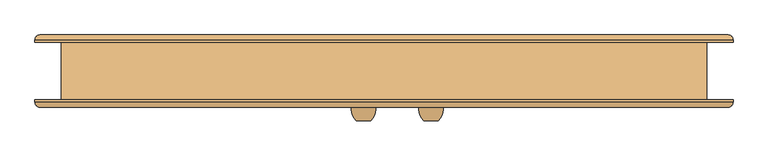
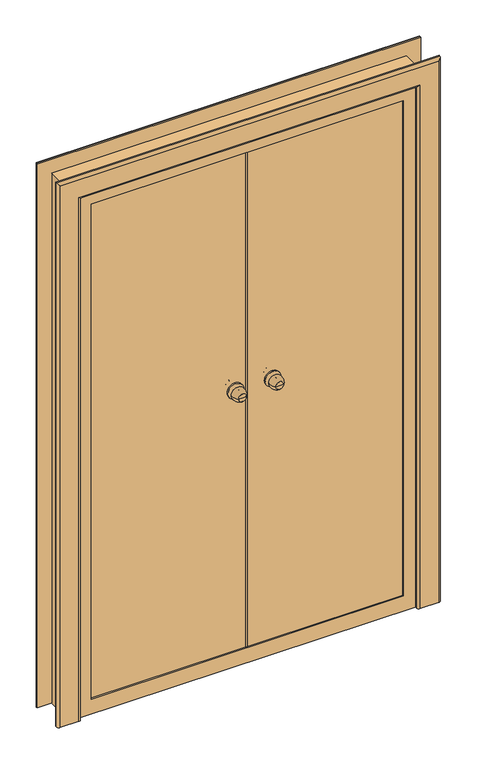
"""IFC4 building model written with IfcOpenShell, lengths in millimetres: door geometry."""

from ifc_helpers import new_model, si_unit, point, frame, origin, place, context, project, spatial, polyline, circle_curve, ellipse_curve, trimmed, outline, extrude, faceted_brep, source, transform, mapped, element, save
from ifc_brep_helpers import plane_surface, cylinder_surface, revolved_surface, advanced_brep


def door_aa6076b7(model_context):
    return source(origin(), model_context, "Body", "SolidModel", [
        advanced_brep(
        [(-173.0, -103.0, 1100.0), (-203.0, -103.0, 1100.0), (-188.0, -103.0, 1100.0), (-163.0, -73.0, 1100.0), (-213.0, -73.0, 1100.0), (-170.0, -73.0, 1100.0), (-206.0, -73.0, 1100.0), (-178.0, -65.0, 1100.0), (-198.0, -65.0, 1100.0), (-178.0, -59.0, 1100.0), (-198.0, -59.0, 1100.0), (-218.0, -59.0, 1100.0), (-158.0, -59.0, 1100.0), (-218.0, -53.0, 1100.0), (-158.0, -53.0, 1100.0)],
        [
            (0, 1, circle_curve(frame((-188.0, -103.0, 1100.0), z_axis=(0.0, -1.0, 0.0), x_axis=(-1.0, 0.0, 0.0)), 15.0)),
            (1, 2),
            (2, 0),
            (1, 0, circle_curve(frame((-188.0, -103.0, 1100.0), z_axis=(0.0, -1.0, 0.0), x_axis=(-1.0, 0.0, 0.0)), 15.0)),
            (0, 3, circle_curve(frame((-197.6226265, -78.1257912, 1100.0), z_axis=(0.0, 0.0, 1.0), x_axis=(-1.0, 0.0, 0.0)), 35.0)),
            (3, 4, circle_curve(frame((-188.0, -73.0, 1100.0), z_axis=(0.0, -1.0, 0.0), x_axis=(-1.0, 0.0, 0.0)), 25.0)),
            (4, 1, circle_curve(frame((-178.3773735, -78.1257912, 1100.0), z_axis=(0.0, 0.0, 1.0), x_axis=(1.0, 0.0, 0.0)), 35.0)),
            (4, 3, circle_curve(frame((-188.0, -73.0, 1100.0), z_axis=(0.0, -1.0, 0.0), x_axis=(-1.0, 0.0, 0.0)), 25.0)),
            (3, 5),
            (5, 6, circle_curve(frame((-188.0, -73.0, 1100.0), z_axis=(0.0, -1.0, 0.0), x_axis=(-1.0, 0.0, 0.0)), 18.0)),
            (6, 4),
            (6, 5, circle_curve(frame((-188.0, -73.0, 1100.0), z_axis=(0.0, -1.0, 0.0), x_axis=(-1.0, 0.0, 0.0)), 18.0)),
            (5, 7, circle_curve(frame((-170.0, -65.0, 1100.0), z_axis=(0.0, 0.0, -1.0), x_axis=(-1.0, 0.0, 0.0)), 8.0)),
            (7, 8, circle_curve(frame((-188.0, -65.0, 1100.0), z_axis=(0.0, -1.0, 0.0), x_axis=(-1.0, 0.0, 0.0)), 10.0)),
            (8, 6, circle_curve(frame((-206.0, -65.0, 1100.0), z_axis=(0.0, 0.0, -1.0), x_axis=(1.0, 0.0, 0.0)), 8.0)),
            (8, 7, circle_curve(frame((-188.0, -65.0, 1100.0), z_axis=(0.0, -1.0, 0.0), x_axis=(-1.0, 0.0, 0.0)), 10.0)),
            (7, 9),
            (9, 10, circle_curve(frame((-188.0, -59.0, 1100.0), z_axis=(0.0, -1.0, 0.0), x_axis=(-1.0, 0.0, 0.0)), 10.0)),
            (10, 8),
            (10, 9, circle_curve(frame((-188.0, -59.0, 1100.0), z_axis=(0.0, -1.0, 0.0), x_axis=(-1.0, 0.0, 0.0)), 10.0)),
            (11, 12, circle_curve(frame((-188.0, -59.0, 1100.0), z_axis=(0.0, -1.0, 0.0), x_axis=(1.0, 0.0, 0.0)), 30.0)),
            (12, 11, circle_curve(frame((-188.0, -59.0, 1100.0), z_axis=(0.0, -1.0, 0.0), x_axis=(1.0, 0.0, 0.0)), 30.0)),
            (13, 14, circle_curve(frame((-188.0, -53.0, 1100.0), z_axis=(0.0, 1.0, 0.0), x_axis=(1.0, 0.0, 0.0)), 30.0)),
            (14, 13, circle_curve(frame((-188.0, -53.0, 1100.0), z_axis=(0.0, 1.0, 0.0), x_axis=(1.0, 0.0, 0.0)), 30.0)),
            (11, 13),
            (14, 12),
        ],
        [
            plane_surface(frame((-188.0, -103.0, 1100.0), z_axis=(0.0, -1.0, 0.0), x_axis=(-1.0, 0.0, 0.0))),
            revolved_surface(trimmed(ellipse_curve(frame((-178.3773735, -78.1257912, 1100.0), z_axis=(0.0, 0.0, -1.0), x_axis=(1.0, 0.0, 0.0)), 35.0, 35.0), [point((-203.0, -103.0, 1100.0))], [point((-213.0, -73.0, 1100.0))], True, "CARTESIAN"), (-188.0, -133.0, 1100.0), (0.0, 1.0, 0.0)),
            plane_surface(frame((-188.0, -73.0, 1100.0), z_axis=(0.0, 1.0, 0.0), x_axis=(-1.0, 0.0, 0.0))),
            revolved_surface(trimmed(ellipse_curve(frame((-206.0, -65.0, 1100.0), z_axis=(0.0, 0.0, 1.0), x_axis=(1.0, 0.0, 0.0)), 8.0, 8.0), [point((-206.0, -73.0, 1100.0))], [point((-198.0, -65.0, 1100.0))], True, "CARTESIAN"), (-188.0, -133.0, 1100.0), (0.0, 1.0, 0.0)),
            cylinder_surface(frame((-188.0, -133.0, 1100.0), z_axis=(0.0, 1.0, 0.0), x_axis=(-1.0, 0.0, 0.0)), 10.0),
            plane_surface(frame((-158.0, -59.0, 1100.0), z_axis=(0.0, -1.0, 0.0), x_axis=(0.0, 0.0, 1.0))),
            plane_surface(frame((-158.0, -53.0, 1100.0), z_axis=(0.0, 1.0, 0.0), x_axis=(0.0, 0.0, -1.0))),
            cylinder_surface(frame((-188.0, -53.0, 1100.0), z_axis=(0.0, -1.0, 0.0), x_axis=(1.0, 0.0, 0.0)), 30.0),
        ],
        [
            (0, [[1, 2, 3]]),
            (0, [[-2, 4, -3]]),
            (1, [[-1, 5, 6, 7]]),
            (1, [[-4, -7, 8, -5]]),
            (2, [[-6, 9, 10, 11]]),
            (2, [[-8, -11, 12, -9]]),
            (3, [[-10, 13, 14, 15]]),
            (3, [[-12, -15, 16, -13]]),
            (4, [[-14, 17, 18, 19]]),
            (4, [[-16, -19, 20, -17]]),
            (5, [[21, 22], [-18, -20]]),
            (6, [[23, 24]]),
            (7, [[-21, 25, -24, 26]]),
            (7, [[-22, -26, -23, -25]]),
        ],
    ),
        advanced_brep(
        [(-203.0, 37.0, 1100.0), (-173.0, 37.0, 1100.0), (-188.0, 37.0, 1100.0), (-213.0, 7.0, 1100.0), (-163.0, 7.0, 1100.0), (-206.0, 7.0, 1100.0), (-170.0, 7.0, 1100.0), (-198.0, -1.0, 1100.0), (-178.0, -1.0, 1100.0), (-198.0, -7.0, 1100.0), (-178.0, -7.0, 1100.0), (-158.0, -7.0, 1100.0), (-218.0, -7.0, 1100.0), (-158.0, -13.0, 1100.0), (-218.0, -13.0, 1100.0)],
        [
            (0, 1, circle_curve(frame((-188.0, 37.0, 1100.0), z_axis=(0.0, 1.0, 0.0), x_axis=(1.0, 0.0, 0.0)), 15.0)),
            (1, 2),
            (2, 0),
            (1, 0, circle_curve(frame((-188.0, 37.0, 1100.0), z_axis=(0.0, 1.0, 0.0), x_axis=(1.0, 0.0, 0.0)), 15.0)),
            (0, 3, circle_curve(frame((-178.3773735, 12.1257912, 1100.0), z_axis=(0.0, 0.0, 1.0), x_axis=(1.0, 0.0, 0.0)), 35.0)),
            (3, 4, circle_curve(frame((-188.0, 7.0, 1100.0), z_axis=(0.0, 1.0, 0.0), x_axis=(1.0, 0.0, 0.0)), 25.0)),
            (4, 1, circle_curve(frame((-197.6226265, 12.1257912, 1100.0), z_axis=(0.0, 0.0, 1.0), x_axis=(-1.0, 0.0, 0.0)), 35.0)),
            (4, 3, circle_curve(frame((-188.0, 7.0, 1100.0), z_axis=(0.0, 1.0, 0.0), x_axis=(1.0, 0.0, 0.0)), 25.0)),
            (3, 5),
            (5, 6, circle_curve(frame((-188.0, 7.0, 1100.0), z_axis=(0.0, 1.0, 0.0), x_axis=(1.0, 0.0, 0.0)), 18.0)),
            (6, 4),
            (6, 5, circle_curve(frame((-188.0, 7.0, 1100.0), z_axis=(0.0, 1.0, 0.0), x_axis=(1.0, 0.0, 0.0)), 18.0)),
            (5, 7, circle_curve(frame((-206.0, -1.0, 1100.0), z_axis=(0.0, 0.0, -1.0), x_axis=(1.0, 0.0, 0.0)), 8.0)),
            (7, 8, circle_curve(frame((-188.0, -1.0, 1100.0), z_axis=(0.0, 1.0, 0.0), x_axis=(1.0, 0.0, 0.0)), 10.0)),
            (8, 6, circle_curve(frame((-170.0, -1.0, 1100.0), z_axis=(0.0, 0.0, -1.0), x_axis=(-1.0, 0.0, 0.0)), 8.0)),
            (8, 7, circle_curve(frame((-188.0, -1.0, 1100.0), z_axis=(0.0, 1.0, 0.0), x_axis=(1.0, 0.0, 0.0)), 10.0)),
            (7, 9),
            (9, 10, circle_curve(frame((-188.0, -7.0, 1100.0), z_axis=(0.0, 1.0, 0.0), x_axis=(1.0, 0.0, 0.0)), 10.0)),
            (10, 8),
            (10, 9, circle_curve(frame((-188.0, -7.0, 1100.0), z_axis=(0.0, 1.0, 0.0), x_axis=(1.0, 0.0, 0.0)), 10.0)),
            (11, 12, circle_curve(frame((-188.0, -7.0, 1100.0), z_axis=(0.0, 1.0, 0.0), x_axis=(-1.0, 0.0, 0.0)), 30.0)),
            (12, 11, circle_curve(frame((-188.0, -7.0, 1100.0), z_axis=(0.0, 1.0, 0.0), x_axis=(-1.0, 0.0, 0.0)), 30.0)),
            (13, 14, circle_curve(frame((-188.0, -13.0, 1100.0), z_axis=(0.0, -1.0, 0.0), x_axis=(-1.0, 0.0, 0.0)), 30.0)),
            (14, 13, circle_curve(frame((-188.0, -13.0, 1100.0), z_axis=(0.0, -1.0, 0.0), x_axis=(-1.0, 0.0, 0.0)), 30.0)),
            (11, 13),
            (14, 12),
        ],
        [
            plane_surface(frame((-188.0, 37.0, 1100.0), z_axis=(0.0, 1.0, 0.0), x_axis=(1.0, 0.0, 0.0))),
            revolved_surface(trimmed(ellipse_curve(frame((-197.6226265, 12.1257912, 1100.0), z_axis=(0.0, 0.0, -1.0), x_axis=(-1.0, 0.0, 0.0)), 35.0, 35.0), [point((-173.0, 37.0, 1100.0))], [point((-163.0, 7.0, 1100.0))], True, "CARTESIAN"), (-188.0, 67.0, 1100.0), (0.0, -1.0, 0.0)),
            plane_surface(frame((-188.0, 7.0, 1100.0), z_axis=(0.0, -1.0, 0.0), x_axis=(1.0, 0.0, 0.0))),
            revolved_surface(trimmed(ellipse_curve(frame((-170.0, -1.0, 1100.0), z_axis=(0.0, 0.0, 1.0), x_axis=(-1.0, 0.0, 0.0)), 8.0, 8.0), [point((-170.0, 7.0, 1100.0))], [point((-178.0, -1.0, 1100.0))], True, "CARTESIAN"), (-188.0, 67.0, 1100.0), (0.0, -1.0, 0.0)),
            cylinder_surface(frame((-188.0, 67.0, 1100.0), z_axis=(0.0, -1.0, 0.0), x_axis=(1.0, 0.0, 0.0)), 10.0),
            plane_surface(frame((-218.0, -7.0, 1100.0), z_axis=(0.0, 1.0, 0.0), x_axis=(0.0, 0.0, 1.0))),
            plane_surface(frame((-218.0, -13.0, 1100.0), z_axis=(0.0, -1.0, 0.0), x_axis=(0.0, 0.0, -1.0))),
            cylinder_surface(frame((-188.0, -13.0, 1100.0), z_axis=(0.0, 1.0, 0.0), x_axis=(-1.0, 0.0, 0.0)), 30.0),
        ],
        [
            (0, [[1, 2, 3]]),
            (0, [[-2, 4, -3]]),
            (1, [[-1, 5, 6, 7]]),
            (1, [[-4, -7, 8, -5]]),
            (2, [[-6, 9, 10, 11]]),
            (2, [[-8, -11, 12, -9]]),
            (3, [[-10, 13, 14, 15]]),
            (3, [[-12, -15, 16, -13]]),
            (4, [[-14, 17, 18, 19]]),
            (4, [[-16, -19, 20, -17]]),
            (5, [[21, 22], [-18, -20]]),
            (6, [[23, 24]]),
            (7, [[-21, 25, -24, 26]]),
            (7, [[-22, -26, -23, -25]]),
        ],
    ),
        advanced_brep(
        [(-32.0, -103.0, 1100.0), (-62.0, -103.0, 1100.0), (-47.0, -103.0, 1100.0), (-22.0, -73.0, 1100.0), (-72.0, -73.0, 1100.0), (-29.0, -73.0, 1100.0), (-65.0, -73.0, 1100.0), (-37.0, -65.0, 1100.0), (-57.0, -65.0, 1100.0), (-37.0, -59.0, 1100.0), (-57.0, -59.0, 1100.0), (-77.0, -59.0, 1100.0), (-17.0, -59.0, 1100.0), (-77.0, -53.0, 1100.0), (-17.0, -53.0, 1100.0)],
        [
            (0, 1, circle_curve(frame((-47.0, -103.0, 1100.0), z_axis=(0.0, -1.0, 0.0), x_axis=(-1.0, 0.0, 0.0)), 15.0)),
            (1, 2),
            (2, 0),
            (1, 0, circle_curve(frame((-47.0, -103.0, 1100.0), z_axis=(0.0, -1.0, 0.0), x_axis=(-1.0, 0.0, 0.0)), 15.0)),
            (0, 3, circle_curve(frame((-56.6226265, -78.1257912, 1100.0), z_axis=(0.0, 0.0, 1.0), x_axis=(-1.0, 0.0, 0.0)), 35.0)),
            (3, 4, circle_curve(frame((-47.0, -73.0, 1100.0), z_axis=(0.0, -1.0, 0.0), x_axis=(-1.0, 0.0, 0.0)), 25.0)),
            (4, 1, circle_curve(frame((-37.3773735, -78.1257912, 1100.0), z_axis=(0.0, 0.0, 1.0), x_axis=(1.0, 0.0, 0.0)), 35.0)),
            (4, 3, circle_curve(frame((-47.0, -73.0, 1100.0), z_axis=(0.0, -1.0, 0.0), x_axis=(-1.0, 0.0, 0.0)), 25.0)),
            (3, 5),
            (5, 6, circle_curve(frame((-47.0, -73.0, 1100.0), z_axis=(0.0, -1.0, 0.0), x_axis=(-1.0, 0.0, 0.0)), 18.0)),
            (6, 4),
            (6, 5, circle_curve(frame((-47.0, -73.0, 1100.0), z_axis=(0.0, -1.0, 0.0), x_axis=(-1.0, 0.0, 0.0)), 18.0)),
            (5, 7, circle_curve(frame((-29.0, -65.0, 1100.0), z_axis=(0.0, 0.0, -1.0), x_axis=(-1.0, 0.0, 0.0)), 8.0)),
            (7, 8, circle_curve(frame((-47.0, -65.0, 1100.0), z_axis=(0.0, -1.0, 0.0), x_axis=(-1.0, 0.0, 0.0)), 10.0)),
            (8, 6, circle_curve(frame((-65.0, -65.0, 1100.0), z_axis=(0.0, 0.0, -1.0), x_axis=(1.0, 0.0, 0.0)), 8.0)),
            (8, 7, circle_curve(frame((-47.0, -65.0, 1100.0), z_axis=(0.0, -1.0, 0.0), x_axis=(-1.0, 0.0, 0.0)), 10.0)),
            (7, 9),
            (9, 10, circle_curve(frame((-47.0, -59.0, 1100.0), z_axis=(0.0, -1.0, 0.0), x_axis=(-1.0, 0.0, 0.0)), 10.0)),
            (10, 8),
            (10, 9, circle_curve(frame((-47.0, -59.0, 1100.0), z_axis=(0.0, -1.0, 0.0), x_axis=(-1.0, 0.0, 0.0)), 10.0)),
            (11, 12, circle_curve(frame((-47.0, -59.0, 1100.0), z_axis=(0.0, -1.0, 0.0), x_axis=(1.0, 0.0, 0.0)), 30.0)),
            (12, 11, circle_curve(frame((-47.0, -59.0, 1100.0), z_axis=(0.0, -1.0, 0.0), x_axis=(1.0, 0.0, 0.0)), 30.0)),
            (13, 14, circle_curve(frame((-47.0, -53.0, 1100.0), z_axis=(0.0, 1.0, 0.0), x_axis=(1.0, 0.0, 0.0)), 30.0)),
            (14, 13, circle_curve(frame((-47.0, -53.0, 1100.0), z_axis=(0.0, 1.0, 0.0), x_axis=(1.0, 0.0, 0.0)), 30.0)),
            (11, 13),
            (14, 12),
        ],
        [
            plane_surface(frame((-47.0, -103.0, 1100.0), z_axis=(0.0, -1.0, 0.0), x_axis=(-1.0, 0.0, 0.0))),
            revolved_surface(trimmed(ellipse_curve(frame((-37.3773735, -78.1257912, 1100.0), z_axis=(0.0, 0.0, -1.0), x_axis=(1.0, 0.0, 0.0)), 35.0, 35.0), [point((-62.0, -103.0, 1100.0))], [point((-72.0, -73.0, 1100.0))], True, "CARTESIAN"), (-47.0, -133.0, 1100.0), (0.0, 1.0, 0.0)),
            plane_surface(frame((-47.0, -73.0, 1100.0), z_axis=(0.0, 1.0, 0.0), x_axis=(-1.0, 0.0, 0.0))),
            revolved_surface(trimmed(ellipse_curve(frame((-65.0, -65.0, 1100.0), z_axis=(0.0, 0.0, 1.0), x_axis=(1.0, 0.0, 0.0)), 8.0, 8.0), [point((-65.0, -73.0, 1100.0))], [point((-57.0, -65.0, 1100.0))], True, "CARTESIAN"), (-47.0, -133.0, 1100.0), (0.0, 1.0, 0.0)),
            cylinder_surface(frame((-47.0, -133.0, 1100.0), z_axis=(0.0, 1.0, 0.0), x_axis=(-1.0, 0.0, 0.0)), 10.0),
            plane_surface(frame((-17.0, -59.0, 1100.0), z_axis=(0.0, -1.0, 0.0), x_axis=(0.0, 0.0, 1.0))),
            plane_surface(frame((-17.0, -53.0, 1100.0), z_axis=(0.0, 1.0, 0.0), x_axis=(0.0, 0.0, -1.0))),
            cylinder_surface(frame((-47.0, -53.0, 1100.0), z_axis=(0.0, -1.0, 0.0), x_axis=(1.0, 0.0, 0.0)), 30.0),
        ],
        [
            (0, [[1, 2, 3]]),
            (0, [[-2, 4, -3]]),
            (1, [[-1, 5, 6, 7]]),
            (1, [[-4, -7, 8, -5]]),
            (2, [[-6, 9, 10, 11]]),
            (2, [[-8, -11, 12, -9]]),
            (3, [[-10, 13, 14, 15]]),
            (3, [[-12, -15, 16, -13]]),
            (4, [[-14, 17, 18, 19]]),
            (4, [[-16, -19, 20, -17]]),
            (5, [[21, 22], [-18, -20]]),
            (6, [[23, 24]]),
            (7, [[-21, 25, -24, 26]]),
            (7, [[-22, -26, -23, -25]]),
        ],
    ),
        advanced_brep(
        [(-62.0, 37.0, 1100.0), (-32.0, 37.0, 1100.0), (-47.0, 37.0, 1100.0), (-72.0, 7.0, 1100.0), (-22.0, 7.0, 1100.0), (-65.0, 7.0, 1100.0), (-29.0, 7.0, 1100.0), (-57.0, -1.0, 1100.0), (-37.0, -1.0, 1100.0), (-57.0, -7.0, 1100.0), (-37.0, -7.0, 1100.0), (-17.0, -7.0, 1100.0), (-77.0, -7.0, 1100.0), (-17.0, -13.0, 1100.0), (-77.0, -13.0, 1100.0)],
        [
            (0, 1, circle_curve(frame((-47.0, 37.0, 1100.0), z_axis=(0.0, 1.0, 0.0), x_axis=(1.0, 0.0, 0.0)), 15.0)),
            (1, 2),
            (2, 0),
            (1, 0, circle_curve(frame((-47.0, 37.0, 1100.0), z_axis=(0.0, 1.0, 0.0), x_axis=(1.0, 0.0, 0.0)), 15.0)),
            (0, 3, circle_curve(frame((-37.3773735, 12.1257912, 1100.0), z_axis=(0.0, 0.0, 1.0), x_axis=(1.0, 0.0, 0.0)), 35.0)),
            (3, 4, circle_curve(frame((-47.0, 7.0, 1100.0), z_axis=(0.0, 1.0, 0.0), x_axis=(1.0, 0.0, 0.0)), 25.0)),
            (4, 1, circle_curve(frame((-56.6226265, 12.1257912, 1100.0), z_axis=(0.0, 0.0, 1.0), x_axis=(-1.0, 0.0, 0.0)), 35.0)),
            (4, 3, circle_curve(frame((-47.0, 7.0, 1100.0), z_axis=(0.0, 1.0, 0.0), x_axis=(1.0, 0.0, 0.0)), 25.0)),
            (3, 5),
            (5, 6, circle_curve(frame((-47.0, 7.0, 1100.0), z_axis=(0.0, 1.0, 0.0), x_axis=(1.0, 0.0, 0.0)), 18.0)),
            (6, 4),
            (6, 5, circle_curve(frame((-47.0, 7.0, 1100.0), z_axis=(0.0, 1.0, 0.0), x_axis=(1.0, 0.0, 0.0)), 18.0)),
            (5, 7, circle_curve(frame((-65.0, -1.0, 1100.0), z_axis=(0.0, 0.0, -1.0), x_axis=(1.0, 0.0, 0.0)), 8.0)),
            (7, 8, circle_curve(frame((-47.0, -1.0, 1100.0), z_axis=(0.0, 1.0, 0.0), x_axis=(1.0, 0.0, 0.0)), 10.0)),
            (8, 6, circle_curve(frame((-29.0, -1.0, 1100.0), z_axis=(0.0, 0.0, -1.0), x_axis=(-1.0, 0.0, 0.0)), 8.0)),
            (8, 7, circle_curve(frame((-47.0, -1.0, 1100.0), z_axis=(0.0, 1.0, 0.0), x_axis=(1.0, 0.0, 0.0)), 10.0)),
            (7, 9),
            (9, 10, circle_curve(frame((-47.0, -7.0, 1100.0), z_axis=(0.0, 1.0, 0.0), x_axis=(1.0, 0.0, 0.0)), 10.0)),
            (10, 8),
            (10, 9, circle_curve(frame((-47.0, -7.0, 1100.0), z_axis=(0.0, 1.0, 0.0), x_axis=(1.0, 0.0, 0.0)), 10.0)),
            (11, 12, circle_curve(frame((-47.0, -7.0, 1100.0), z_axis=(0.0, 1.0, 0.0), x_axis=(-1.0, 0.0, 0.0)), 30.0)),
            (12, 11, circle_curve(frame((-47.0, -7.0, 1100.0), z_axis=(0.0, 1.0, 0.0), x_axis=(-1.0, 0.0, 0.0)), 30.0)),
            (13, 14, circle_curve(frame((-47.0, -13.0, 1100.0), z_axis=(0.0, -1.0, 0.0), x_axis=(-1.0, 0.0, 0.0)), 30.0)),
            (14, 13, circle_curve(frame((-47.0, -13.0, 1100.0), z_axis=(0.0, -1.0, 0.0), x_axis=(-1.0, 0.0, 0.0)), 30.0)),
            (11, 13),
            (14, 12),
        ],
        [
            plane_surface(frame((-47.0, 37.0, 1100.0), z_axis=(0.0, 1.0, 0.0), x_axis=(1.0, 0.0, 0.0))),
            revolved_surface(trimmed(ellipse_curve(frame((-56.6226265, 12.1257912, 1100.0), z_axis=(0.0, 0.0, -1.0), x_axis=(-1.0, 0.0, 0.0)), 35.0, 35.0), [point((-32.0, 37.0, 1100.0))], [point((-22.0, 7.0, 1100.0))], True, "CARTESIAN"), (-47.0, 67.0, 1100.0), (0.0, -1.0, 0.0)),
            plane_surface(frame((-47.0, 7.0, 1100.0), z_axis=(0.0, -1.0, 0.0), x_axis=(1.0, 0.0, 0.0))),
            revolved_surface(trimmed(ellipse_curve(frame((-29.0, -1.0, 1100.0), z_axis=(0.0, 0.0, 1.0), x_axis=(-1.0, 0.0, 0.0)), 8.0, 8.0), [point((-29.0, 7.0, 1100.0))], [point((-37.0, -1.0, 1100.0))], True, "CARTESIAN"), (-47.0, 67.0, 1100.0), (0.0, -1.0, 0.0)),
            cylinder_surface(frame((-47.0, 67.0, 1100.0), z_axis=(0.0, -1.0, 0.0), x_axis=(1.0, 0.0, 0.0)), 10.0),
            plane_surface(frame((-77.0, -7.0, 1100.0), z_axis=(0.0, 1.0, 0.0), x_axis=(0.0, 0.0, 1.0))),
            plane_surface(frame((-77.0, -13.0, 1100.0), z_axis=(0.0, -1.0, 0.0), x_axis=(0.0, 0.0, -1.0))),
            cylinder_surface(frame((-47.0, -13.0, 1100.0), z_axis=(0.0, 1.0, 0.0), x_axis=(-1.0, 0.0, 0.0)), 30.0),
        ],
        [
            (0, [[1, 2, 3]]),
            (0, [[-2, 4, -3]]),
            (1, [[-1, 5, 6, 7]]),
            (1, [[-4, -7, 8, -5]]),
            (2, [[-6, 9, 10, 11]]),
            (2, [[-8, -11, 12, -9]]),
            (3, [[-10, 13, 14, 15]]),
            (3, [[-12, -15, 16, -13]]),
            (4, [[-14, 17, 18, 19]]),
            (4, [[-16, -19, 20, -17]]),
            (5, [[21, 22], [-18, -20]]),
            (6, [[23, 24]]),
            (7, [[-21, 25, -24, 26]]),
            (7, [[-22, -26, -23, -25]]),
        ],
    ),
        faceted_brep([(505.0, -20.0, 0.0), (505.0, -60.0, 0.0), (-795.0, -60.0, 0.0), (-795.0, -20.0, 0.0), (505.0, -60.0, 2100.0), (505.0, -20.0, 2100.0), (-795.0, -60.0, 2100.0), (445.0, -60.0, 2040.0), (445.0, -60.0, 60.0), (-735.0, -60.0, 60.0), (-735.0, -60.0, 2040.0), (-795.0, -20.0, 2100.0), (-755.0, -20.0, 2060.0), (-755.0, -20.0, 40.0), (465.0, -20.0, 40.0), (465.0, -20.0, 2060.0), (-755.0, -55.0, 2060.0), (465.0, -55.0, 2060.0), (465.0, -55.0, 40.0), (-755.0, -55.0, 40.0), (445.0, -55.0, 2040.0), (-735.0, -55.0, 2040.0), (-735.0, -55.0, 60.0), (445.0, -55.0, 60.0)], [[[0, 1, 2, 3]], [[4, 1, 0, 5]], [[2, 1, 4, 6], [7, 8, 9, 10]], [[2, 6, 11, 3]], [[0, 3, 11, 5], [12, 13, 14, 15]], [[16, 17, 18, 19], [20, 21, 22, 23]], [[7, 20, 23, 8]], [[23, 22, 9, 8]], [[21, 10, 9, 22]], [[18, 17, 15, 14]], [[19, 18, 14, 13]], [[12, 16, 19, 13]], [[20, 7, 10, 21]], [[17, 16, 12, 15]], [[5, 11, 6, 4]]]),
        faceted_brep([(-113.0, -18.0, 25.0), (-770.0, -18.0, 25.0), (-770.0, -13.0, 25.0), (-113.0, -13.0, 25.0), (-113.0, -18.0, 45.0), (-750.0, -18.0, 45.0), (-750.0, -18.0, 2055.0), (-113.0, -18.0, 2055.0), (-113.0, -18.0, 2075.0), (-770.0, -18.0, 2075.0), (-770.0, -13.0, 2075.0), (-113.0, -13.0, 2075.0), (-113.0, -28.0, 2055.0), (-113.0, -28.0, 45.0), (-750.0, -53.0, 2055.0), (-750.0, -53.0, 45.0), (-148.0, -28.0, 45.0), (-148.0, -53.0, 45.0), (-148.0, -53.0, 2055.0), (-148.0, -28.0, 2055.0)], [[[0, 1, 2, 3]], [[0, 4, 5, 6, 7, 8, 9, 1]], [[9, 10, 2, 1]], [[10, 11, 3, 2]], [[3, 11, 8, 7, 12, 13, 4, 0]], [[14, 6, 5, 15]], [[5, 4, 13, 16, 17, 15]], [[18, 14, 15, 17]], [[19, 18, 17, 16]], [[12, 19, 16, 13]], [[11, 10, 9, 8]], [[7, 6, 14, 18, 19, 12]]]),
        advanced_brep(
        [(580.0, 60.0, 0.0), (490.0, 60.0, 0.0), (490.0, 65.0, 0.0), (500.0, 75.0, 0.0), (570.0, 75.0, 0.0), (580.0, 65.0, 0.0), (580.0, 60.0, 2175.0), (-870.0, 60.0, 2175.0), (-870.0, 60.0, 0.0), (-780.0, 60.0, 0.0), (-780.0, 60.0, 2085.0), (490.0, 60.0, 2085.0), (490.0, 65.0, 2085.0), (500.0, 75.0, 2095.0), (-790.0, 75.0, 2095.0), (-790.0, 75.0, 0.0), (-860.0, 75.0, 0.0), (-860.0, 75.0, 2165.0), (570.0, 75.0, 2165.0), (580.0, 65.0, 2175.0), (-870.0, 65.0, 2175.0), (-870.0, 65.0, 0.0), (-780.0, 65.0, 0.0), (-780.0, 65.0, 2085.0)],
        [
            (0, 1),
            (1, 2),
            (2, 3, circle_curve(frame((500.0, 65.0, 0.0), z_axis=(0.0, 0.0, -1.0), x_axis=(1.0, 0.0, 0.0)), 10.0)),
            (3, 4),
            (4, 5, circle_curve(frame((570.0, 65.0, 0.0), z_axis=(0.0, 0.0, -1.0), x_axis=(1.0, 0.0, 0.0)), 10.0)),
            (5, 0),
            (0, 6),
            (6, 7),
            (7, 8),
            (8, 9),
            (9, 10),
            (10, 11),
            (11, 1),
            (11, 12),
            (12, 2),
            (12, 13, ellipse_curve(frame((500.0, 65.0, 2095.0), z_axis=(0.7071067811865475, 0.0, -0.7071067811865475), x_axis=(-0.7071067811865474, 0.0, -0.7071067811865476)), 14.1421356, 10.0)),
            (13, 3),
            (13, 14),
            (14, 15),
            (15, 16),
            (16, 17),
            (17, 18),
            (18, 4),
            (18, 19, ellipse_curve(frame((570.0, 65.0, 2165.0), z_axis=(0.7071067811865475, 0.0, -0.7071067811865475), x_axis=(-0.7071067811865474, 0.0, -0.7071067811865476)), 14.1421356, 10.0)),
            (19, 5),
            (19, 6),
            (7, 20),
            (20, 21),
            (21, 8),
            (21, 16, circle_curve(frame((-860.0, 65.0, 0.0), z_axis=(0.0, 0.0, -1.0), x_axis=(-1.0, 0.0, 0.0)), 10.0)),
            (15, 22, circle_curve(frame((-790.0, 65.0, 0.0), z_axis=(0.0, 0.0, -1.0), x_axis=(-1.0, 0.0, 0.0)), 10.0)),
            (22, 9),
            (23, 10),
            (22, 23),
            (14, 23, ellipse_curve(frame((-790.0, 65.0, 2095.0), z_axis=(-0.7071067811865475, 0.0, -0.7071067811865475), x_axis=(-0.7071067811865474, 0.0, 0.7071067811865476)), 14.1421356, 10.0)),
            (20, 17, ellipse_curve(frame((-860.0, 65.0, 2165.0), z_axis=(-0.7071067811865475, 0.0, -0.7071067811865475), x_axis=(-0.7071067811865474, 0.0, 0.7071067811865476)), 14.1421356, 10.0)),
            (23, 12),
            (20, 19),
        ],
        [
            plane_surface(frame((525.0, 60.0, 0.0), z_axis=(0.0, 0.0, -1.0), x_axis=(0.0, -1.0, 0.0))),
            plane_surface(frame((580.0, 60.0, 0.0), z_axis=(0.0, -1.0, 0.0), x_axis=(0.0, 0.0, 1.0))),
            plane_surface(frame((490.0, 60.0, 0.0), z_axis=(-1.0, 0.0, 0.0), x_axis=(0.0, 0.0, 1.0))),
            cylinder_surface(frame((500.0, 65.0, 0.0), z_axis=(0.0, 0.0, -1.0), x_axis=(1.0, 0.0, 0.0)), 10.0),
            plane_surface(frame((500.0, 75.0, 0.0), z_axis=(0.0, 1.0, 0.0), x_axis=(0.0, 0.0, 1.0))),
            cylinder_surface(frame((570.0, 65.0, 0.0), z_axis=(0.0, 0.0, -1.0), x_axis=(1.0, 0.0, 0.0)), 10.0),
            plane_surface(frame((580.0, 65.0, 0.0), z_axis=(1.0, 0.0, 0.0), x_axis=(0.0, 0.0, 1.0))),
            plane_surface(frame((-870.0, 65.0, 2175.0), z_axis=(-1.0, 0.0, 0.0), x_axis=(0.0, 0.0, -1.0))),
            plane_surface(frame((-815.0, 60.0, 0.0), z_axis=(0.0, 0.0, -1.0), x_axis=(0.0, -1.0, 0.0))),
            plane_surface(frame((-780.0, 60.0, 2085.0), z_axis=(1.0, 0.0, 0.0), x_axis=(0.0, 0.0, -1.0))),
            cylinder_surface(frame((-790.0, 65.0, 2120.0), z_axis=(0.0, 0.0, 1.0), x_axis=(-1.0, 0.0, 0.0)), 10.0),
            cylinder_surface(frame((-860.0, 65.0, 2120.0), z_axis=(0.0, 0.0, 1.0), x_axis=(-1.0, 0.0, 0.0)), 10.0),
            plane_surface(frame((490.0, 60.0, 2085.0), z_axis=(0.0, 0.0, -1.0), x_axis=(-1.0, 0.0, 0.0))),
            cylinder_surface(frame((525.0, 65.0, 2095.0), z_axis=(1.0, 0.0, 0.0), x_axis=(0.0, 0.0, 1.0)), 10.0),
            cylinder_surface(frame((525.0, 65.0, 2165.0), z_axis=(1.0, 0.0, 0.0), x_axis=(0.0, 0.0, 1.0)), 10.0),
            plane_surface(frame((580.0, 65.0, 2175.0), z_axis=(0.0, 0.0, 1.0), x_axis=(-1.0, 0.0, 0.0))),
        ],
        [
            (0, [[1, 2, 3, 4, 5, 6]]),
            (1, [[-1, 7, 8, 9, 10, 11, 12, 13]]),
            (2, [[-2, -13, 14, 15]]),
            (3, [[-3, -15, 16, 17]]),
            (4, [[-4, -17, 18, 19, 20, 21, 22, 23]]),
            (5, [[-5, -23, 24, 25]]),
            (6, [[-6, -25, 26, -7]]),
            (7, [[27, 28, 29, -9]]),
            (8, [[-29, 30, -20, 31, 32, -10]]),
            (9, [[33, -11, -32, 34]]),
            (10, [[35, -34, -31, -19]]),
            (11, [[36, -21, -30, -28]]),
            (12, [[-14, -12, -33, 37]]),
            (13, [[-16, -37, -35, -18]]),
            (14, [[-24, -22, -36, 38]]),
            (15, [[-26, -38, -27, -8]]),
        ],
    ),
        faceted_brep([(-107.0, -13.0, 25.0), (480.0, -13.0, 25.0), (480.0, -18.0, 25.0), (-107.0, -18.0, 25.0), (-107.0, -13.0, 2075.0), (480.0, -13.0, 2075.0), (480.0, -18.0, 2075.0), (-107.0, -18.0, 2075.0), (-107.0, -18.0, 2055.0), (460.0, -18.0, 2055.0), (460.0, -18.0, 45.0), (-107.0, -18.0, 45.0), (-107.0, -34.0, 45.0), (-107.0, -34.0, 2055.0), (460.0, -53.0, 2055.0), (460.0, -53.0, 45.0), (-113.0, -53.0, 2055.0), (-142.0, -53.0, 2055.0), (-142.0, -53.0, 45.0), (-142.0, -34.0, 45.0), (-142.0, -34.0, 2055.0), (-113.0, -34.0, 2055.0)], [[[0, 1, 2, 3]], [[4, 5, 1, 0]], [[5, 6, 2, 1]], [[2, 6, 7, 8, 9, 10, 11, 3]], [[4, 0, 3, 11, 12, 13, 8, 7]], [[9, 14, 15, 10]], [[14, 16, 17, 18, 15]], [[11, 10, 15, 18, 19, 12]], [[17, 20, 19, 18]], [[20, 21, 13, 12, 19]], [[6, 5, 4, 7]], [[9, 8, 13, 21, 20, 17, 16, 14]]]),
        faceted_brep([(525.0, -60.0, 0.0), (505.0, -60.0, 0.0), (505.0, -20.0, 0.0), (505.0, 60.0, 0.0), (525.0, 60.0, 0.0), (525.0, -60.0, 2120.0), (-815.0, -60.0, 2120.0), (-815.0, -60.0, 0.0), (-795.0, -60.0, 0.0), (-795.0, -60.0, 2100.0), (505.0, -60.0, 2100.0), (505.0, -20.0, 2100.0), (505.0, 60.0, 2100.0), (-795.0, 60.0, 2100.0), (-795.0, 60.0, 0.0), (-815.0, 60.0, 0.0), (-815.0, 60.0, 2120.0), (525.0, 60.0, 2120.0), (-795.0, -20.0, 0.0), (-795.0, -20.0, 2100.0)], [[[0, 1, 2, 3, 4]], [[1, 0, 5, 6, 7, 8, 9, 10]], [[1, 10, 11, 12, 3, 2]], [[4, 3, 12, 13, 14, 15, 16, 17]], [[0, 4, 17, 5]], [[9, 8, 18, 14, 13, 19]], [[7, 15, 14, 18, 8]], [[6, 16, 15, 7]], [[10, 9, 19, 13, 12, 11]], [[5, 17, 16, 6]]]),
        advanced_brep(
        [(-870.0, -60.0, 0.0), (-780.0, -60.0, 0.0), (-780.0, -65.0, 0.0), (-790.0, -75.0, 0.0), (-860.0, -75.0, 0.0), (-870.0, -65.0, 0.0), (-870.0, -60.0, 2175.0), (580.0, -60.0, 2175.0), (580.0, -60.0, 0.0), (490.0, -60.0, 0.0), (490.0, -60.0, 2085.0), (-780.0, -60.0, 2085.0), (-780.0, -65.0, 2085.0), (-790.0, -75.0, 2095.0), (500.0, -75.0, 2095.0), (500.0, -75.0, 0.0), (570.0, -75.0, 0.0), (570.0, -75.0, 2165.0), (-860.0, -75.0, 2165.0), (-870.0, -65.0, 2175.0), (580.0, -65.0, 2175.0), (580.0, -65.0, 0.0), (490.0, -65.0, 0.0), (490.0, -65.0, 2085.0)],
        [
            (0, 1),
            (1, 2),
            (2, 3, circle_curve(frame((-790.0, -65.0, 0.0), z_axis=(0.0, 0.0, -1.0), x_axis=(-1.0, 0.0, 0.0)), 10.0)),
            (3, 4),
            (4, 5, circle_curve(frame((-860.0, -65.0, 0.0), z_axis=(0.0, 0.0, -1.0), x_axis=(-1.0, 0.0, 0.0)), 10.0)),
            (5, 0),
            (0, 6),
            (6, 7),
            (7, 8),
            (8, 9),
            (9, 10),
            (10, 11),
            (11, 1),
            (11, 12),
            (12, 2),
            (12, 13, ellipse_curve(frame((-790.0, -65.0, 2095.0), z_axis=(-0.7071067811865475, 0.0, -0.7071067811865475), x_axis=(0.7071067811865474, 0.0, -0.7071067811865476)), 14.1421356, 10.0)),
            (13, 3),
            (13, 14),
            (14, 15),
            (15, 16),
            (16, 17),
            (17, 18),
            (18, 4),
            (18, 19, ellipse_curve(frame((-860.0, -65.0, 2165.0), z_axis=(-0.7071067811865475, 0.0, -0.7071067811865475), x_axis=(0.7071067811865474, 0.0, -0.7071067811865476)), 14.1421356, 10.0)),
            (19, 5),
            (19, 6),
            (7, 20),
            (20, 21),
            (21, 8),
            (21, 16, circle_curve(frame((570.0, -65.0, 0.0), z_axis=(0.0, 0.0, -1.0), x_axis=(1.0, 0.0, 0.0)), 10.0)),
            (15, 22, circle_curve(frame((500.0, -65.0, 0.0), z_axis=(0.0, 0.0, -1.0), x_axis=(1.0, 0.0, 0.0)), 10.0)),
            (22, 9),
            (23, 10),
            (22, 23),
            (14, 23, ellipse_curve(frame((500.0, -65.0, 2095.0), z_axis=(0.7071067811865475, 0.0, -0.7071067811865475), x_axis=(0.7071067811865474, 0.0, 0.7071067811865476)), 14.1421356, 10.0)),
            (20, 17, ellipse_curve(frame((570.0, -65.0, 2165.0), z_axis=(0.7071067811865475, 0.0, -0.7071067811865475), x_axis=(0.7071067811865474, 0.0, 0.7071067811865476)), 14.1421356, 10.0)),
            (23, 12),
            (20, 19),
        ],
        [
            plane_surface(frame((-815.0, -60.0, 0.0), z_axis=(0.0, 0.0, -1.0), x_axis=(0.0, -1.0, 0.0))),
            plane_surface(frame((-870.0, -60.0, 0.0), z_axis=(0.0, 1.0, 0.0), x_axis=(0.0, 0.0, 1.0))),
            plane_surface(frame((-780.0, -60.0, 0.0), z_axis=(1.0, 0.0, 0.0), x_axis=(0.0, 0.0, 1.0))),
            cylinder_surface(frame((-790.0, -65.0, 0.0), z_axis=(0.0, 0.0, -1.0), x_axis=(-1.0, 0.0, 0.0)), 10.0),
            plane_surface(frame((-790.0, -75.0, 0.0), z_axis=(0.0, -1.0, 0.0), x_axis=(0.0, 0.0, 1.0))),
            cylinder_surface(frame((-860.0, -65.0, 0.0), z_axis=(0.0, 0.0, -1.0), x_axis=(-1.0, 0.0, 0.0)), 10.0),
            plane_surface(frame((-870.0, -65.0, 0.0), z_axis=(-1.0, 0.0, 0.0), x_axis=(0.0, 0.0, 1.0))),
            plane_surface(frame((580.0, -65.0, 2175.0), z_axis=(1.0, 0.0, 0.0), x_axis=(0.0, 0.0, -1.0))),
            plane_surface(frame((525.0, -60.0, 0.0), z_axis=(0.0, 0.0, -1.0), x_axis=(0.0, -1.0, 0.0))),
            plane_surface(frame((490.0, -60.0, 2085.0), z_axis=(-1.0, 0.0, 0.0), x_axis=(0.0, 0.0, -1.0))),
            cylinder_surface(frame((500.0, -65.0, 2120.0), z_axis=(0.0, 0.0, 1.0), x_axis=(1.0, 0.0, 0.0)), 10.0),
            cylinder_surface(frame((570.0, -65.0, 2120.0), z_axis=(0.0, 0.0, 1.0), x_axis=(1.0, 0.0, 0.0)), 10.0),
            plane_surface(frame((-780.0, -60.0, 2085.0), z_axis=(0.0, 0.0, -1.0), x_axis=(1.0, 0.0, 0.0))),
            cylinder_surface(frame((-815.0, -65.0, 2095.0), z_axis=(-1.0, 0.0, 0.0), x_axis=(0.0, 0.0, 1.0)), 10.0),
            cylinder_surface(frame((-815.0, -65.0, 2165.0), z_axis=(-1.0, 0.0, 0.0), x_axis=(0.0, 0.0, 1.0)), 10.0),
            plane_surface(frame((-870.0, -65.0, 2175.0), z_axis=(0.0, 0.0, 1.0), x_axis=(1.0, 0.0, 0.0))),
        ],
        [
            (0, [[1, 2, 3, 4, 5, 6]]),
            (1, [[-1, 7, 8, 9, 10, 11, 12, 13]]),
            (2, [[-2, -13, 14, 15]]),
            (3, [[-3, -15, 16, 17]]),
            (4, [[-4, -17, 18, 19, 20, 21, 22, 23]]),
            (5, [[-5, -23, 24, 25]]),
            (6, [[-6, -25, 26, -7]]),
            (7, [[27, 28, 29, -9]]),
            (8, [[-29, 30, -20, 31, 32, -10]]),
            (9, [[33, -11, -32, 34]]),
            (10, [[35, -34, -31, -19]]),
            (11, [[36, -21, -30, -28]]),
            (12, [[-14, -12, -33, 37]]),
            (13, [[-16, -37, -35, -18]]),
            (14, [[-24, -22, -36, 38]]),
            (15, [[-26, -38, -27, -8]]),
        ],
    ),
        extrude(outline(polyline([(0.0, 490.0), (0.0, 505.0), (2100.0, 505.0), (2100.0, -795.0), (0.0, -795.0), (0.0, -780.0), (2085.0, -780.0), (2085.0, 490.0), (0.0, 490.0)])), frame((0.0, -20.0, 0.0), z_axis=(0.0, 1.0, 0.0), x_axis=(0.0, 0.0, 1.0)), (0.0, 0.0, 1.0), 80.0),
    ])


if __name__ == "__main__":
    model = new_model("IFC4")
    model_context = context("Model", 3, world=origin())
    ifc_project = project(units=[si_unit("LENGTHUNIT", "METRE", prefix="MILLI")], contexts=[model_context])
    site = spatial("IfcSite", under=ifc_project)
    building = spatial("IfcBuilding", under=site)
    placement = place(None, origin())
    door_shape = door_aa6076b7(model_context)
    element("IfcDoor", 1, at=placement, inside=building, context=model_context, shape_type="MappedRepresentation", body=[
        mapped(door_shape, transform((0.0, 0.0, 0.0), x_axis=(1.0, 0.0, 0.0), y_axis=(0.0, 1.0, 0.0), z_axis=(0.0, 0.0, 1.0))),
    ])
    save(model, "model.ifc")
